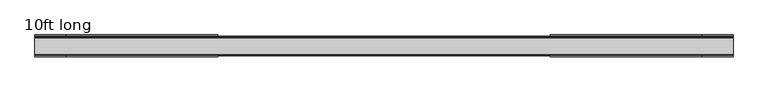
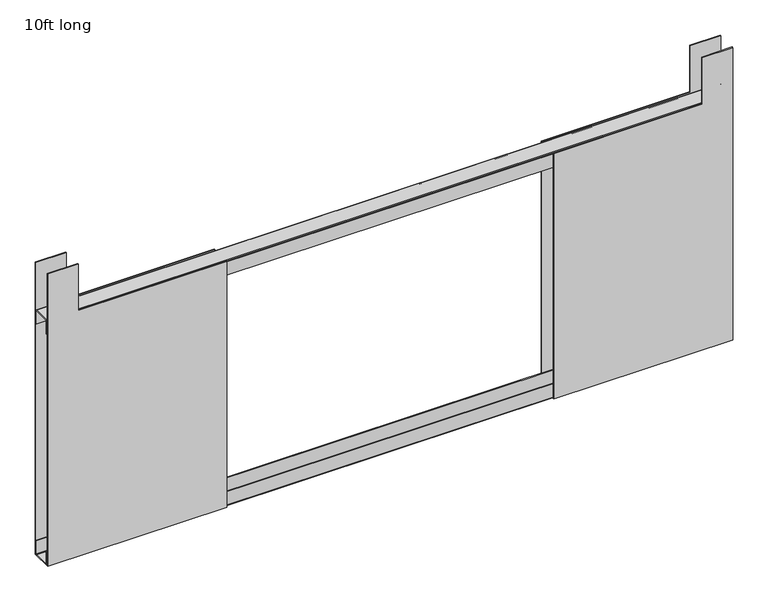
"""IFC4 building model written with IfcOpenShell, lengths in millimetres: furniture geometry, 10ft long."""

from ifc_helpers import new_model, si_unit, point, frame, frame_2d, origin, place, context, project, spatial, polyline, circle_curve, trimmed, segment, composite_curve, outline, extrude, source, transform, mapped, element, save


def furniture_10ft_long_399ab260(model_context):
    return source(origin(), model_context, "Body", "SweptSolid", [
        extrude(outline(polyline([(1949.3484, 561.975), (1949.3484, 511.9624), (1868.424, 511.9624), (1868.424, 267.97), (1442.0596, 267.97), (1442.0596, 561.975), (1949.3484, 561.975)])), frame((0.0, 16.0963002, 0.0), z_axis=(0.0, 1.0, 0.0), x_axis=(0.0, 0.0, 1.0)), (0.0, 0.0, 1.0), 1.5199994),
        extrude(outline(polyline([(1949.3484, 561.975), (1949.3484, 511.9624), (1868.424, 511.9624), (1868.424, 267.97), (1442.0596, 267.97), (1442.0596, 561.975), (1949.3484, 561.975)])), frame((0.0, -17.6162996, 0.0), z_axis=(0.0, 1.0, 0.0), x_axis=(0.0, 0.0, 1.0)), (0.0, 0.0, 1.0), 1.5199994),
        extrude(outline(polyline([(1949.3484, -561.975), (1442.0596, -561.975), (1442.0596, -267.97), (1868.424, -267.97), (1868.424, -511.9624), (1949.3484, -511.9624), (1949.3484, -561.975)])), frame((0.0, 16.0963002, 0.0), z_axis=(0.0, 1.0, 0.0), x_axis=(0.0, 0.0, 1.0)), (0.0, 0.0, 1.0), 1.5199994),
        extrude(outline(composite_curve([segment(polyline([(-15.5954995, 1467.2930432), (-14.0755001, 1467.2930432), (-14.0755001, 1444.6478864)]), True, "CONTINUOUS"), segment(trimmed(circle_curve(frame_2d((-13.0206916, 1444.6478864)), 1.0548085), [point((-14.0755001, 1444.6478864))], [point((-13.0206916, 1443.5930779))], True, "CARTESIAN"), True, "CONTINUOUS"), segment(polyline([(-13.0206916, 1443.5930779), (13.1161882, 1443.5930779)]), True, "CONTINUOUS"), segment(trimmed(circle_curve(frame_2d((13.1161882, 1444.5523897)), 0.9593119), [point((13.1161882, 1443.5930779))], [point((14.0755001, 1444.5523897))], True, "CARTESIAN"), True, "CONTINUOUS"), segment(polyline([(14.0755001, 1444.5523897), (14.0755001, 1467.0957307), (15.5956994, 1467.0957307), (15.5956994, 1444.3555592), (14.9267517, 1442.7418217), (13.3134997, 1442.0730762), (-13.3134997, 1442.0730762), (-14.9267529, 1442.7418217), (-15.5954995, 1444.3550771), (-15.5954995, 1467.2930432)]), True, "CONTINUOUS")], self_intersect=False)), frame((-561.975, 0.0, 0.0), z_axis=(1.0, 0.0, 0.0), x_axis=(0.0, 1.0, 0.0)), (0.0, 0.0, 1.0), 1123.95),
        extrude(outline(polyline([(1949.3484, -561.975), (1442.0596, -561.975), (1442.0596, -267.97), (1868.424, -267.97), (1868.424, -511.9624), (1949.3484, -511.9624), (1949.3484, -561.975)])), frame((0.0, -17.6162996, 0.0), z_axis=(0.0, 1.0, 0.0), x_axis=(0.0, 0.0, 1.0)), (0.0, 0.0, 1.0), 1.5199994),
        extrude(outline(composite_curve([segment(polyline([(-15.5954995, 1843.1671812), (-15.5954995, 1866.1051473), (-14.9267529, 1867.7184028), (-13.3134997, 1868.3871483), (13.3134997, 1868.3871483), (14.9267517, 1867.7184028), (15.5956994, 1866.1046652), (15.5956994, 1843.3644938), (14.0755001, 1843.3644938), (14.0755001, 1865.9078347)]), True, "CONTINUOUS"), segment(trimmed(circle_curve(frame_2d((13.1161882, 1865.9078347)), 0.9593119), [point((14.0755001, 1865.9078347))], [point((13.1161882, 1866.8671466))], True, "CARTESIAN"), True, "CONTINUOUS"), segment(polyline([(13.1161882, 1866.8671466), (-13.0206916, 1866.8671466)]), True, "CONTINUOUS"), segment(trimmed(circle_curve(frame_2d((-13.0206916, 1865.8123381)), 1.0548085), [point((-13.0206916, 1866.8671466))], [point((-14.0755001, 1865.8123381))], True, "CARTESIAN"), True, "CONTINUOUS"), segment(polyline([(-14.0755001, 1865.8123381), (-14.0755001, 1843.1671812), (-15.5954995, 1843.1671812)]), True, "CONTINUOUS")], self_intersect=False)), frame((-561.975, 0.0, 0.0), z_axis=(1.0, 0.0, 0.0), x_axis=(0.0, 1.0, 0.0)), (0.0, 0.0, 1.0), 1123.95),
    ])


if __name__ == "__main__":
    model = new_model("IFC4")
    model_context = context("Model", 3, world=origin())
    ifc_project = project(units=[si_unit("LENGTHUNIT", "METRE", prefix="MILLI")], contexts=[model_context])
    site = spatial("IfcSite", under=ifc_project)
    building = spatial("IfcBuilding", under=site)
    placement = place(None, origin())
    furniture_10ft_long_shape = furniture_10ft_long_399ab260(model_context)
    element("IfcFurniture", 1, ObjectType="10ft long", at=placement, inside=building, context=model_context, shape_type="MappedRepresentation", body=[
        mapped(furniture_10ft_long_shape, transform((0.0, 0.0, 0.0), x_axis=(1.0, 0.0, 0.0), y_axis=(0.0, 1.0, 0.0), z_axis=(0.0, 0.0, 1.0))),
    ])
    save(model, "model.ifc")
